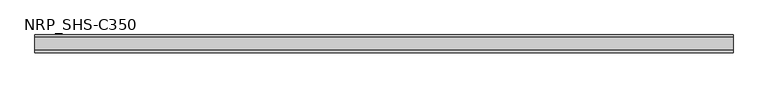
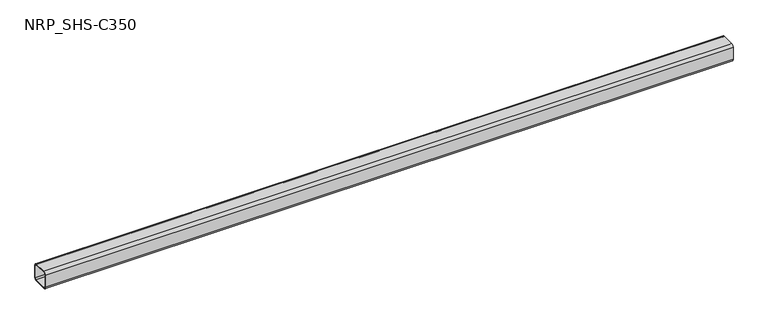
"""IFC4 building model written with IfcOpenShell, lengths in millimetres: member geometry, NRP_SHS-C350."""

from ifc_helpers import new_model, si_unit, point, frame, frame_2d, origin, place, context, project, spatial, polyline, circle_curve, trimmed, segment, composite_curve, outline, extrude, source, transform, mapped, element, save


def nrp_shs_c350_b0298c77(model_context):
    return source(origin(), model_context, "Body", "SweptSolid", [
        extrude(outline(composite_curve([segment(trimmed(circle_curve(frame_2d((-32.0, 32.0)), 12.5), [point((-44.5, 32.0))], [point((-32.0, 44.5))], False, "CARTESIAN"), True, "CONTINUOUS"), segment(polyline([(-32.0, 44.5), (32.0, 44.5)]), True, "CONTINUOUS"), segment(trimmed(circle_curve(frame_2d((32.0, 32.0)), 12.5), [point((32.0, 44.5))], [point((44.5, 32.0))], False, "CARTESIAN"), True, "CONTINUOUS"), segment(polyline([(44.5, 32.0), (44.5, -32.0)]), True, "CONTINUOUS"), segment(trimmed(circle_curve(frame_2d((32.0, -32.0)), 12.5), [point((44.5, -32.0))], [point((32.0, -44.5))], False, "CARTESIAN"), True, "CONTINUOUS"), segment(polyline([(32.0, -44.5), (-32.0, -44.5)]), True, "CONTINUOUS"), segment(trimmed(circle_curve(frame_2d((-32.0, -32.0)), 12.5), [point((-32.0, -44.5))], [point((-44.5, -32.0))], False, "CARTESIAN"), True, "CONTINUOUS"), segment(polyline([(-44.5, -32.0), (-44.5, 32.0)]), True, "CONTINUOUS")], self_intersect=False), holes=[composite_curve([segment(polyline([(32.0, 39.5), (-32.0, 39.5)]), True, "CONTINUOUS"), segment(trimmed(circle_curve(frame_2d((-32.0, 32.0)), 7.5), [point((-32.0, 39.5))], [point((-39.5, 32.0))], True, "CARTESIAN"), True, "CONTINUOUS"), segment(polyline([(-39.5, 32.0), (-39.5, -32.0)]), True, "CONTINUOUS"), segment(trimmed(circle_curve(frame_2d((-32.0, -32.0)), 7.5), [point((-39.5, -32.0))], [point((-32.0, -39.5))], True, "CARTESIAN"), True, "CONTINUOUS"), segment(polyline([(-32.0, -39.5), (32.0, -39.5)]), True, "CONTINUOUS"), segment(trimmed(circle_curve(frame_2d((32.0, -32.0)), 7.5), [point((32.0, -39.5))], [point((39.5, -32.0))], True, "CARTESIAN"), True, "CONTINUOUS"), segment(polyline([(39.5, -32.0), (39.5, 32.0)]), True, "CONTINUOUS"), segment(trimmed(circle_curve(frame_2d((32.0, 32.0)), 7.5), [point((39.5, 32.0))], [point((32.0, 39.5))], True, "CARTESIAN"), True, "CONTINUOUS")], self_intersect=False)]), frame((-1727.0, 0.0, 0.0), z_axis=(1.0, 0.0, 0.0), x_axis=(0.0, 1.0, 0.0)), (0.0, 0.0, 1.0), 3454.0),
    ])


if __name__ == "__main__":
    model = new_model("IFC4")
    model_context = context("Model", 3, world=origin())
    ifc_project = project(units=[si_unit("LENGTHUNIT", "METRE", prefix="MILLI")], contexts=[model_context])
    site = spatial("IfcSite", under=ifc_project)
    building = spatial("IfcBuilding", under=site)
    placement = place(None, origin())
    nrp_shs_c350_shape = nrp_shs_c350_b0298c77(model_context)
    element("IfcMember", 1, ObjectType="NRP_SHS-C350", at=placement, inside=building, context=model_context, shape_type="MappedRepresentation", body=[
        mapped(nrp_shs_c350_shape, transform((0.0, 0.0, 0.0), x_axis=(1.0, 0.0, 0.0), y_axis=(0.0, 1.0, 0.0), z_axis=(0.0, 0.0, 1.0))),
    ])
    save(model, "model.ifc")
